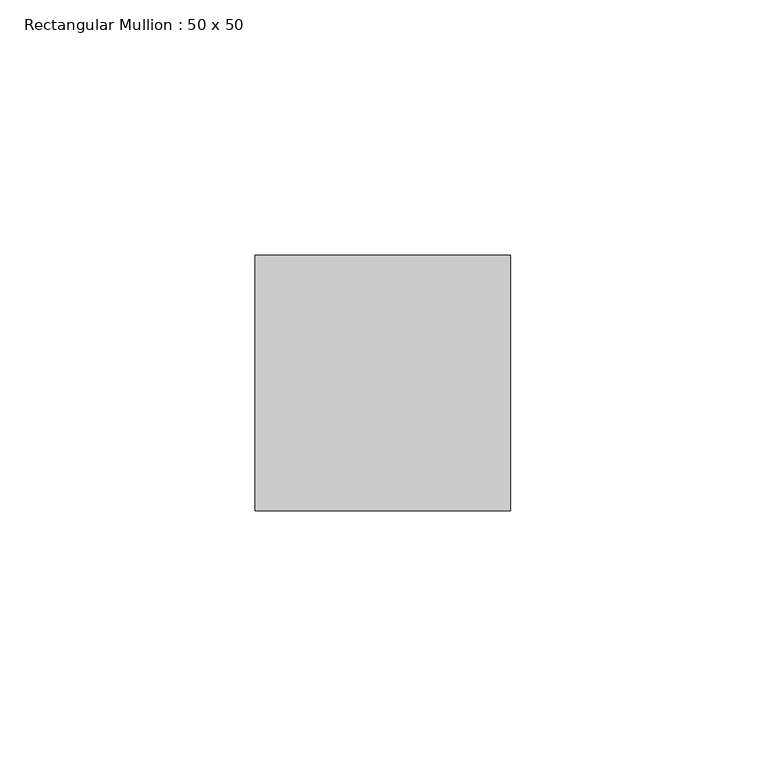
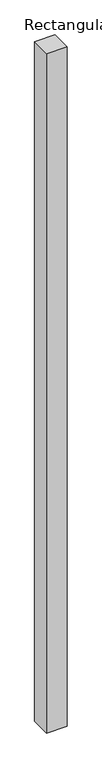
"""IFC4 building model written with IfcOpenShell, lengths in millimetres: member geometry, Rectangular Mullion : 50 x 50."""

from ifc_helpers import new_model, si_unit, frame, origin, place, context, project, spatial, polyline, outline, extrude, source, transform, mapped, element, save


def rectangular_mullion_50_x_50_1754a66a(model_context):
    return source(origin(), model_context, "Body", "SweptSolid", [
        extrude(outline(polyline([(25.0, 25.0), (25.0, -25.0), (-25.0, -25.0), (-25.0, 25.0), (25.0, 25.0)])), frame((0.0, 0.0, -1745.973479), z_axis=(0.0, 0.0, 1.0), x_axis=(1.0, 0.0, 0.0)), (0.0, 0.0, 1.0), 1745.973479),
    ])


if __name__ == "__main__":
    model = new_model("IFC4")
    model_context = context("Model", 3, world=origin())
    ifc_project = project(units=[si_unit("LENGTHUNIT", "METRE", prefix="MILLI")], contexts=[model_context])
    site = spatial("IfcSite", under=ifc_project)
    building = spatial("IfcBuilding", under=site)
    placement = place(None, origin())
    rectangular_mullion_50_x_50_shape = rectangular_mullion_50_x_50_1754a66a(model_context)
    element("IfcMember", 1, ObjectType="Rectangular Mullion : 50 x 50", at=placement, inside=building, context=model_context, shape_type="MappedRepresentation", body=[
        mapped(rectangular_mullion_50_x_50_shape, transform((0.0, 0.0, 0.0), x_axis=(1.0, 0.0, 0.0), y_axis=(0.0, 1.0, 0.0), z_axis=(0.0, 0.0, 1.0))),
    ])
    save(model, "model.ifc")
